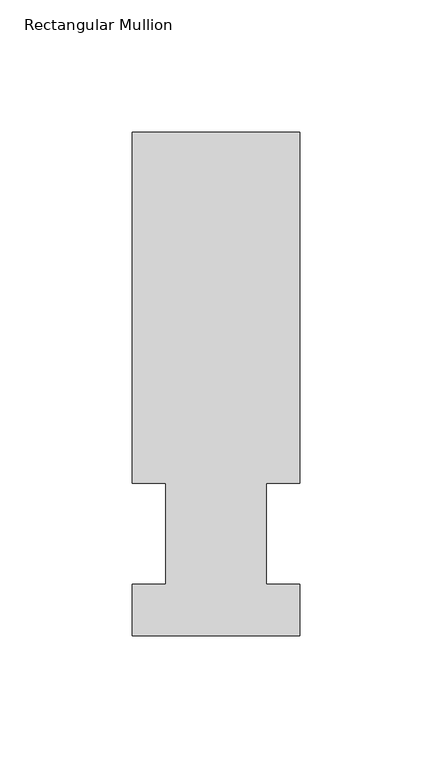
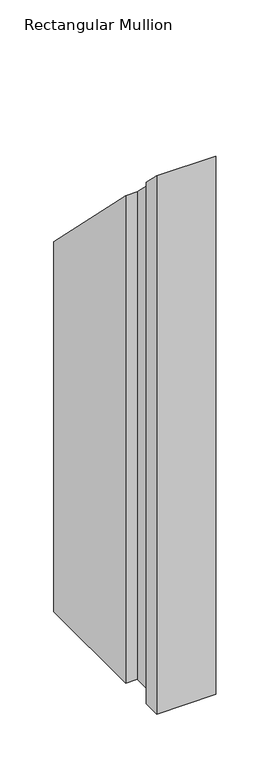
"""IFC4 building model written with IfcOpenShell, lengths in millimetres: member geometry, Rectangular Mullion."""

from ifc_helpers import new_model, si_unit, origin, place, context, project, spatial, faceted_brep, source, transform, mapped, element, save


def rectangular_mullion_192bebdd(model_context):
    return source(origin(), model_context, "Body", "Brep", [
        faceted_brep([(-63.5, 190.5896938, -609.56825), (0.0, 190.5896938, -609.56825), (0.0, 57.6460937, -609.56825), (-12.6873, 57.6460937, -609.56825), (-12.6873, 19.5460938, -609.56825), (0.0, 19.5460938, -609.56825), (0.0, 0.0134938, -609.56825), (-63.5, 0.0134938, -609.56825), (-63.5, 19.5460938, -609.56825), (-50.8, 19.5460938, -609.56825), (-50.8, 57.6460937, -609.56825), (-63.5, 57.6460937, -609.56825), (-63.5, 57.6460937, -57.6460937), (-63.5, 190.5896938, -190.5896938), (-50.8, 57.6460937, -57.6460937), (-50.8, 19.5460938, -19.5460938), (-63.5, 19.5460938, -19.5460938), (-63.5, 0.0134938, -0.0134938), (0.0, 0.0134938, -0.0134938), (0.0, 19.5460938, -19.5460938), (-12.6873, 19.5460938, -19.5460938), (-12.6873, 57.6460937, -57.6460937), (0.0, 57.6460937, -57.6460937), (0.0, 190.5896938, -190.5896938)], [[[0, 1, 2, 3, 4, 5, 6, 7, 8, 9, 10, 11]], [[12, 13, 0, 11]], [[14, 12, 11, 10]], [[15, 14, 10, 9]], [[16, 15, 9, 8]], [[17, 16, 8, 7]], [[18, 17, 7, 6]], [[19, 18, 6, 5]], [[20, 19, 5, 4]], [[21, 20, 4, 3]], [[22, 21, 3, 2]], [[23, 22, 2, 1]], [[13, 23, 1, 0]], [[13, 12, 14, 15, 16, 17, 18, 19, 20, 21, 22, 23]]]),
    ])


if __name__ == "__main__":
    model = new_model("IFC4")
    model_context = context("Model", 3, world=origin())
    ifc_project = project(units=[si_unit("LENGTHUNIT", "METRE", prefix="MILLI")], contexts=[model_context])
    site = spatial("IfcSite", under=ifc_project)
    building = spatial("IfcBuilding", under=site)
    placement = place(None, origin())
    rectangular_mullion_shape = rectangular_mullion_192bebdd(model_context)
    element("IfcMember", 1, ObjectType="Rectangular Mullion", at=placement, inside=building, context=model_context, shape_type="MappedRepresentation", body=[
        mapped(rectangular_mullion_shape, transform((0.0, 0.0, 0.0), x_axis=(1.0, 0.0, 0.0), y_axis=(0.0, 1.0, 0.0), z_axis=(0.0, 0.0, 1.0))),
    ])
    save(model, "model.ifc")
